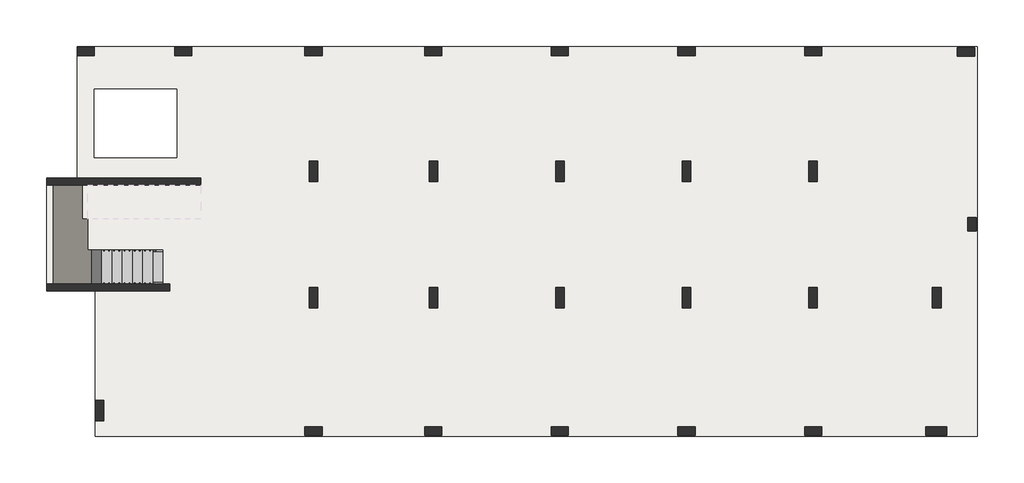
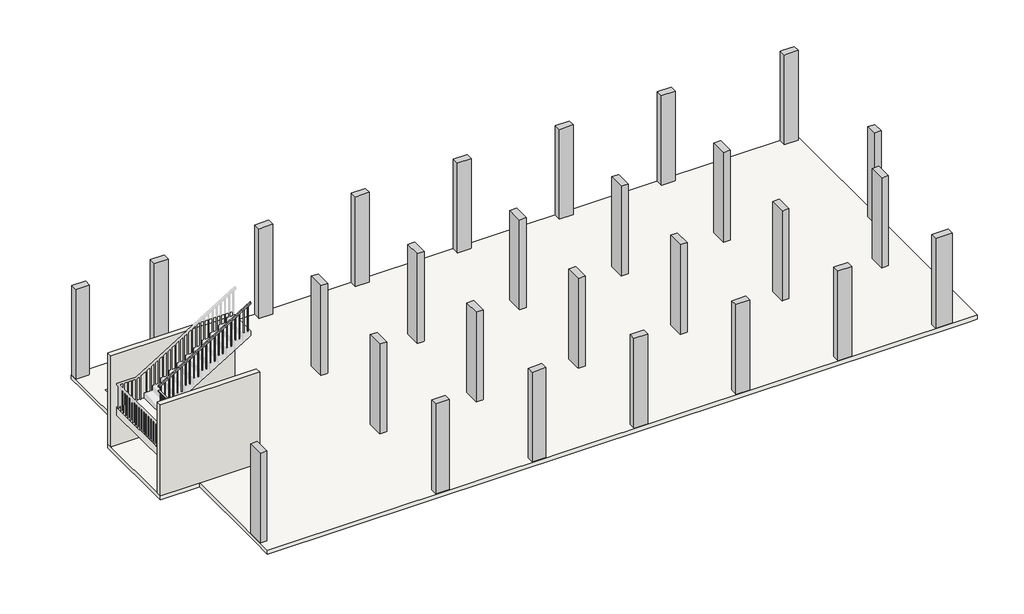
# One storey, part 1 of 2: 27 columns, 2 slabs, 2 walls, 1 railing, 1 stair flight.
"""IFC4 building model written with IfcOpenShell, lengths in millimetres."""

from ifc_helpers import new_model, si_unit, frame, origin, origin_with_axes, place, context, project, spatial, polyline, outline, extrude, faceted_brep, element, save

model = new_model("IFC4")

# Units and contexts
model_context = context("Model", 3, world=origin())
ifc_project = project(units=[si_unit("LENGTHUNIT", "METRE", prefix="MILLI")], contexts=[model_context])

# Site, building, storey
site = spatial("IfcSite", under=ifc_project)
building = spatial("IfcBuilding", under=site)
storey = spatial("IfcBuildingStorey", under=building, Elevation=0.0)

# Columns
placement = place(None, origin())
element("IfcColumn", 1, ObjectType="C1 25 x 50mm", at=placement, inside=storey, context=model_context, shape_type="SweptSolid", body=[
    extrude(outline(polyline([(-250.0, 128.106066), (250.0, 128.106066), (250.0, -121.893934), (-250.0, -121.893934), (-250.0, 128.106066)])), origin_with_axes(), (0.0, 0.0, 1.0), 3450.0),
])
element("IfcColumn", 2, ObjectType="C1 25 x 50mm", at=placement, inside=storey, context=model_context, shape_type="SweptSolid", body=[
    extrude(outline(polyline([(2600.0, 128.106066), (3100.0, 128.106066), (3100.0, -121.893934), (2600.0, -121.893934), (2600.0, 128.106066)])), origin_with_axes(), (0.0, 0.0, 1.0), 3450.0),
])
element("IfcColumn", 3, ObjectType="C1 25 x 50mm", at=placement, inside=storey, context=model_context, shape_type="SweptSolid", body=[
    extrude(outline(polyline([(6400.0390798, 128.106066), (6900.0390798, 128.106066), (6900.0390798, -121.893934), (6400.0390798, -121.893934), (6400.0390798, 128.106066)])), origin_with_axes(), (0.0, 0.0, 1.0), 3450.0),
])
element("IfcColumn", 4, ObjectType="C1 25 x 50mm", at=placement, inside=storey, context=model_context, shape_type="SweptSolid", body=[
    extrude(outline(polyline([(9900.0390798, 128.106066), (10400.0390798, 128.106066), (10400.0390798, -121.893934), (9900.0390798, -121.893934), (9900.0390798, 128.106066)])), origin_with_axes(), (0.0, 0.0, 1.0), 3450.0),
])
element("IfcColumn", 5, ObjectType="C1 25 x 50mm", at=placement, inside=storey, context=model_context, shape_type="SweptSolid", body=[
    extrude(outline(polyline([(13600.0390798, 128.106066), (14100.0390798, 128.106066), (14100.0390798, -121.893934), (13600.0390798, -121.893934), (13600.0390798, 128.106066)])), origin_with_axes(), (0.0, 0.0, 1.0), 3450.0),
])
element("IfcColumn", 6, ObjectType="C1 25 x 50mm", at=placement, inside=storey, context=model_context, shape_type="SweptSolid", body=[
    extrude(outline(polyline([(17300.0390798, 128.106066), (17800.0390798, 128.106066), (17800.0390798, -121.893934), (17300.0390798, -121.893934), (17300.0390798, 128.106066)])), origin_with_axes(), (0.0, 0.0, 1.0), 3450.0),
])
element("IfcColumn", 7, ObjectType="C1 25 x 50mm", at=placement, inside=storey, context=model_context, shape_type="SweptSolid", body=[
    extrude(outline(polyline([(21000.0390798, 128.106066), (21500.0390798, 128.106066), (21500.0390798, -121.893934), (21000.0390798, -121.893934), (21000.0390798, 128.106066)])), origin_with_axes(), (0.0, 0.0, 1.0), 3450.0),
])
element("IfcColumn", 8, ObjectType="C1 25 x 50mm", at=placement, inside=storey, context=model_context, shape_type="SweptSolid", body=[
    extrude(outline(polyline([(21000.0390798, -10971.8939341), (21500.0390798, -10971.8939341), (21500.0390798, -11221.8939341), (21000.0390798, -11221.8939341), (21000.0390798, -10971.8939341)])), origin_with_axes(), (0.0, 0.0, 1.0), 3450.0),
])
element("IfcColumn", 9, ObjectType="C1 25 x 50mm", at=placement, inside=storey, context=model_context, shape_type="SweptSolid", body=[
    extrude(outline(polyline([(17300.0390798, -10971.8939341), (17800.0390798, -10971.8939341), (17800.0390798, -11221.8939341), (17300.0390798, -11221.8939341), (17300.0390798, -10971.8939341)])), origin_with_axes(), (0.0, 0.0, 1.0), 3450.0),
])
element("IfcColumn", 10, ObjectType="C1 25 x 50mm", at=placement, inside=storey, context=model_context, shape_type="SweptSolid", body=[
    extrude(outline(polyline([(13600.0390798, -10971.8939341), (14100.0390798, -10971.8939341), (14100.0390798, -11221.8939341), (13600.0390798, -11221.8939341), (13600.0390798, -10971.8939341)])), origin_with_axes(), (0.0, 0.0, 1.0), 3450.0),
])
element("IfcColumn", 11, ObjectType="C1 25 x 50mm", at=placement, inside=storey, context=model_context, shape_type="SweptSolid", body=[
    extrude(outline(polyline([(9900.0390798, -10971.8939341), (10400.0390798, -10971.8939341), (10400.0390798, -11221.8939341), (9900.0390798, -11221.8939341), (9900.0390798, -10971.8939341)])), origin_with_axes(), (0.0, 0.0, 1.0), 3450.0),
])
element("IfcColumn", 12, ObjectType="C1 25 x 50mm", at=placement, inside=storey, context=model_context, shape_type="SweptSolid", body=[
    extrude(outline(polyline([(6400.0390798, -10971.8939341), (6900.0390798, -10971.8939341), (6900.0390798, -11221.8939341), (6400.0390798, -11221.8939341), (6400.0390798, -10971.8939341)])), origin_with_axes(), (0.0, 0.0, 1.0), 3450.0),
])
element("IfcColumn", 13, ObjectType="C1 25 x 50mm", at=placement, inside=storey, context=model_context, shape_type="Brep", body=[
    faceted_brep([(25466.5, 125.0, 0.0), (25966.5, 125.0, 0.0), (25966.5, -125.0, 0.0), (25466.5, -125.0, 0.0), (25466.5, -125.0, 3450.0), (25466.5, 125.0, 3450.0), (25966.5, -125.0, 3200.0), (25966.5, -125.0, 3450.0), (25550.0000727, -125.0, 3450.0), (25966.5, 125.0, 3200.0), (25966.5, 125.0, 3450.0), (25550.0000727, 125.0, 3450.0)], [[[0, 1, 2, 3]], [[0, 3, 4, 5]], [[3, 2, 6, 7, 8, 4]], [[2, 1, 9, 10, 7, 6]], [[1, 0, 5, 11, 10, 9]], [[5, 4, 8, 7, 10, 11]]]),
])
element("IfcColumn", 14, ObjectType="C2 25 x 60 mm", at=placement, inside=storey, context=model_context, shape_type="Brep", body=[
    faceted_brep([(6775.0390798, -3196.893934, 0.0), (6775.0390798, -3796.893934, 0.0), (6525.0390798, -3796.893934, 0.0), (6525.0390798, -3196.893934, 0.0), (6525.0390798, -3196.893934, 3200.0), (6525.0390798, -3196.893934, 3450.0), (6775.0390798, -3196.893934, 3450.0), (6775.0390798, -3196.893934, 3200.0), (6525.0390798, -3796.893934, 3200.0), (6525.0390798, -3796.893934, 3450.0), (6775.0390798, -3796.893934, 3200.0), (6775.0390798, -3796.893934, 3450.0)], [[[0, 1, 2, 3]], [[0, 3, 4, 5, 6, 7]], [[3, 2, 8, 9, 5, 4]], [[2, 1, 10, 11, 9, 8]], [[1, 0, 7, 6, 11, 10]], [[6, 5, 9, 11]]]),
])
element("IfcColumn", 15, ObjectType="C2 25 x 60 mm", at=placement, inside=storey, context=model_context, shape_type="Brep", body=[
    faceted_brep([(10275.0390798, -3195.451857, 0.0), (10275.0390798, -3795.451857, 0.0), (10025.0390798, -3795.451857, 0.0), (10025.0390798, -3195.451857, 0.0), (10025.0390798, -3195.451857, 3200.0), (10025.0390798, -3195.451857, 3450.0), (10275.0390798, -3195.451857, 3450.0), (10275.0390798, -3195.451857, 3200.0), (10025.0390798, -3795.451857, 3200.0), (10025.0390798, -3795.451857, 3450.0), (10275.0390798, -3795.451857, 3200.0), (10275.0390798, -3795.451857, 3450.0)], [[[0, 1, 2, 3]], [[0, 3, 4, 5, 6, 7]], [[3, 2, 8, 9, 5, 4]], [[2, 1, 10, 11, 9, 8]], [[1, 0, 7, 6, 11, 10]], [[6, 5, 9, 11]]]),
])
element("IfcColumn", 16, ObjectType="C2 25 x 60 mm", at=placement, inside=storey, context=model_context, shape_type="Brep", body=[
    faceted_brep([(13975.0390798, -3195.451857, 0.0), (13975.0390798, -3795.451857, 0.0), (13725.0390798, -3795.451857, 0.0), (13725.0390798, -3195.451857, 0.0), (13725.0390798, -3195.451857, 3200.0), (13725.0390798, -3195.451857, 3450.0), (13975.0390798, -3195.451857, 3450.0), (13975.0390798, -3195.451857, 3200.0), (13725.0390798, -3795.451857, 3200.0), (13725.0390798, -3795.451857, 3450.0), (13975.0390798, -3795.451857, 3200.0), (13975.0390798, -3795.451857, 3450.0)], [[[0, 1, 2, 3]], [[0, 3, 4, 5, 6, 7]], [[3, 2, 8, 9, 5, 4]], [[2, 1, 10, 11, 9, 8]], [[1, 0, 7, 6, 11, 10]], [[6, 5, 9, 11]]]),
])
element("IfcColumn", 17, ObjectType="C2 25 x 60 mm", at=placement, inside=storey, context=model_context, shape_type="Brep", body=[
    faceted_brep([(17675.0390798, -3195.451857, 0.0), (17675.0390798, -3795.451857, 0.0), (17425.0390798, -3795.451857, 0.0), (17425.0390798, -3195.451857, 0.0), (17425.0390798, -3195.451857, 3200.0), (17425.0390798, -3195.451857, 3450.0), (17675.0390798, -3195.451857, 3450.0), (17675.0390798, -3195.451857, 3200.0), (17425.0390798, -3795.451857, 3200.0), (17425.0390798, -3795.451857, 3450.0), (17675.0390798, -3795.451857, 3200.0), (17675.0390798, -3795.451857, 3450.0)], [[[0, 1, 2, 3]], [[0, 3, 4, 5, 6, 7]], [[3, 2, 8, 9, 5, 4]], [[2, 1, 10, 11, 9, 8]], [[1, 0, 7, 6, 11, 10]], [[6, 5, 9, 11]]]),
])
element("IfcColumn", 18, ObjectType="C2 25 x 60 mm", at=placement, inside=storey, context=model_context, shape_type="Brep", body=[
    faceted_brep([(24985.2850434, -6896.8939341, 0.0), (24985.2850434, -7496.8939341, 0.0), (24735.2850434, -7496.8939341, 0.0), (24735.2850434, -6896.8939341, 0.0), (24735.2850434, -6896.8939341, 3200.0), (24735.2850434, -6896.8939341, 3450.0), (24985.2850434, -6896.8939341, 3450.0), (24985.2850434, -6896.8939341, 3200.0), (24735.2850434, -7496.8939341, 3200.0), (24735.2850434, -7496.8939341, 3450.0), (24985.2850434, -7496.8939341, 3200.0), (24985.2850434, -7496.8939341, 3450.0)], [[[0, 1, 2, 3]], [[0, 3, 4, 5, 6, 7]], [[3, 2, 8, 9, 5, 4]], [[2, 1, 10, 11, 9, 8]], [[1, 0, 7, 6, 11, 10]], [[6, 5, 9, 11]]]),
])
element("IfcColumn", 19, ObjectType="C2 25 x 60 mm", at=placement, inside=storey, context=model_context, shape_type="Brep", body=[
    faceted_brep([(21375.0390798, -6896.8939341, 0.0), (21375.0390798, -7496.8939341, 0.0), (21125.0390798, -7496.8939341, 0.0), (21125.0390798, -6896.8939341, 0.0), (21125.0390798, -6896.8939341, 3200.0), (21125.0390798, -6896.8939341, 3450.0), (21375.0390798, -6896.8939341, 3450.0), (21375.0390798, -6896.8939341, 3200.0), (21125.0390798, -7496.8939341, 3200.0), (21125.0390798, -7496.8939341, 3450.0), (21375.0390798, -7496.8939341, 3200.0), (21375.0390798, -7496.8939341, 3450.0)], [[[0, 1, 2, 3]], [[0, 3, 4, 5, 6, 7]], [[3, 2, 8, 9, 5, 4]], [[2, 1, 10, 11, 9, 8]], [[1, 0, 7, 6, 11, 10]], [[6, 5, 9, 11]]]),
])
element("IfcColumn", 20, ObjectType="C2 25 x 60 mm", at=placement, inside=storey, context=model_context, shape_type="Brep", body=[
    faceted_brep([(17675.0390798, -6896.8939341, 0.0), (17675.0390798, -7496.8939341, 0.0), (17425.0390798, -7496.8939341, 0.0), (17425.0390798, -6896.8939341, 0.0), (17425.0390798, -6896.8939341, 3200.0), (17425.0390798, -6896.8939341, 3450.0), (17675.0390798, -6896.8939341, 3450.0), (17675.0390798, -6896.8939341, 3200.0), (17425.0390798, -7496.8939341, 3200.0), (17425.0390798, -7496.8939341, 3450.0), (17675.0390798, -7496.8939341, 3200.0), (17675.0390798, -7496.8939341, 3450.0)], [[[0, 1, 2, 3]], [[0, 3, 4, 5, 6, 7]], [[3, 2, 8, 9, 5, 4]], [[2, 1, 10, 11, 9, 8]], [[1, 0, 7, 6, 11, 10]], [[6, 5, 9, 11]]]),
])
element("IfcColumn", 21, ObjectType="C2 25 x 60 mm", at=placement, inside=storey, context=model_context, shape_type="Brep", body=[
    faceted_brep([(13975.0390798, -6896.8939341, 0.0), (13975.0390798, -7496.8939341, 0.0), (13725.0390798, -7496.8939341, 0.0), (13725.0390798, -6896.8939341, 0.0), (13725.0390798, -6896.8939341, 3200.0), (13725.0390798, -6896.8939341, 3450.0), (13975.0390798, -6896.8939341, 3450.0), (13975.0390798, -6896.8939341, 3200.0), (13725.0390798, -7496.8939341, 3200.0), (13725.0390798, -7496.8939341, 3450.0), (13975.0390798, -7496.8939341, 3200.0), (13975.0390798, -7496.8939341, 3450.0)], [[[0, 1, 2, 3]], [[0, 3, 4, 5, 6, 7]], [[3, 2, 8, 9, 5, 4]], [[2, 1, 10, 11, 9, 8]], [[1, 0, 7, 6, 11, 10]], [[6, 5, 9, 11]]]),
])
element("IfcColumn", 22, ObjectType="C2 25 x 60 mm", at=placement, inside=storey, context=model_context, shape_type="Brep", body=[
    faceted_brep([(10275.0390798, -6896.8939341, 0.0), (10275.0390798, -7496.8939341, 0.0), (10025.0390798, -7496.8939341, 0.0), (10025.0390798, -6896.8939341, 0.0), (10025.0390798, -6896.8939341, 3200.0), (10025.0390798, -6896.8939341, 3450.0), (10275.0390798, -6896.8939341, 3450.0), (10275.0390798, -6896.8939341, 3200.0), (10025.0390798, -7496.8939341, 3200.0), (10025.0390798, -7496.8939341, 3450.0), (10275.0390798, -7496.8939341, 3200.0), (10275.0390798, -7496.8939341, 3450.0)], [[[0, 1, 2, 3]], [[0, 3, 4, 5, 6, 7]], [[3, 2, 8, 9, 5, 4]], [[2, 1, 10, 11, 9, 8]], [[1, 0, 7, 6, 11, 10]], [[6, 5, 9, 11]]]),
])
element("IfcColumn", 23, ObjectType="C2 25 x 60 mm", at=placement, inside=storey, context=model_context, shape_type="Brep", body=[
    faceted_brep([(6775.0390798, -6896.8939341, 0.0), (6775.0390798, -7496.8939341, 0.0), (6525.0390798, -7496.8939341, 0.0), (6525.0390798, -6896.8939341, 0.0), (6525.0390798, -6896.8939341, 3200.0), (6525.0390798, -6896.8939341, 3450.0), (6775.0390798, -6896.8939341, 3450.0), (6775.0390798, -6896.8939341, 3200.0), (6525.0390798, -7496.8939341, 3200.0), (6525.0390798, -7496.8939341, 3450.0), (6775.0390798, -7496.8939341, 3200.0), (6775.0390798, -7496.8939341, 3450.0)], [[[0, 1, 2, 3]], [[0, 3, 4, 5, 6, 7]], [[3, 2, 8, 9, 5, 4]], [[2, 1, 10, 11, 9, 8]], [[1, 0, 7, 6, 11, 10]], [[6, 5, 9, 11]]]),
])
element("IfcColumn", 24, ObjectType="C2 25 x 60 mm", at=placement, inside=storey, context=model_context, shape_type="Brep", body=[
    faceted_brep([(527.7588387, -10196.893934, 0.0), (527.7588387, -10796.893934, 0.0), (277.7588387, -10796.893934, 0.0), (277.7588387, -10196.893934, 0.0), (277.7588387, -10196.893934, 3200.0), (277.7588387, -10196.893934, 3450.0), (527.7588387, -10196.893934, 3450.0), (527.7588387, -10196.893934, 3200.0), (277.7588387, -10796.893934, 3200.0), (277.7588387, -10796.893934, 3450.0), (527.7588387, -10796.893934, 3200.0), (527.7588387, -10796.893934, 3450.0)], [[[0, 1, 2, 3]], [[0, 3, 4, 5, 6, 7]], [[3, 2, 8, 9, 5, 4]], [[2, 1, 10, 11, 9, 8]], [[1, 0, 7, 6, 11, 10]], [[6, 5, 9, 11]]]),
])
element("IfcColumn", 25, ObjectType="C2 25 x 60 mm", at=placement, inside=storey, context=model_context, shape_type="SweptSolid", body=[
    extrude(outline(polyline([(24546.5, -10970.893934), (25146.5, -10970.893934), (25146.5, -11220.893934), (24546.5, -11220.893934), (24546.5, -10970.893934)])), origin_with_axes(), (0.0, 0.0, 1.0), 3450.0),
])
element("IfcColumn", 26, ObjectType="C2 25 x 60 mm", at=placement, inside=storey, context=model_context, shape_type="Brep", body=[
    faceted_brep([(21375.0390798, -3195.451857, 0.0), (21375.0390798, -3795.451857, 0.0), (21125.0390798, -3795.451857, 0.0), (21125.0390798, -3195.451857, 0.0), (21125.0390798, -3195.451857, 3200.0), (21125.0390798, -3195.451857, 3450.0), (21375.0390798, -3195.451857, 3450.0), (21375.0390798, -3195.451857, 3200.0), (21125.0390798, -3795.451857, 3200.0), (21125.0390798, -3795.451857, 3450.0), (21375.0390798, -3795.451857, 3200.0), (21375.0390798, -3795.451857, 3450.0)], [[[0, 1, 2, 3]], [[0, 3, 4, 5, 6, 7]], [[3, 2, 8, 9, 5, 4]], [[2, 1, 10, 11, 9, 8]], [[1, 0, 7, 6, 11, 10]], [[6, 5, 9, 11]]]),
])
element("IfcColumn", 27, ObjectType="C3 25 x 40 mm", at=placement, inside=storey, context=model_context, shape_type="Brep", body=[
    faceted_brep([(26016.5, -4846.8939341, 0.0), (26016.5, -5246.8939341, 0.0), (25766.5, -5246.8939341, 0.0), (25766.5, -4846.8939341, 0.0), (25766.5, -4846.8939341, 3200.0), (25766.5, -4846.8939341, 3450.0), (26016.5, -4846.8939341, 3450.0), (26016.5, -4846.8939341, 3200.0), (25766.5, -5246.8939341, 3200.0), (25766.5, -5246.8939341, 3450.0), (26016.5, -5246.8939341, 3200.0), (26016.5, -5246.8939341, 3450.0)], [[[0, 1, 2, 3]], [[0, 3, 4, 5, 6, 7]], [[3, 2, 8, 9, 5, 4]], [[2, 1, 10, 11, 9, 8]], [[1, 0, 7, 6, 11, 10]], [[6, 5, 9, 11]]]),
])

# Railing
element("IfcRailing", 28, ObjectType="900mm", at=placement, inside=storey, context=model_context, shape_type="SolidModel", body=[
    faceted_brep([(2250.0, -5847.2939341, 1084.2105263), (2250.0, -5847.2939341, 1025.5368719), (2250.0, -5797.2939341, 1025.5368719), (2250.0, -5797.2939341, 1084.2105263), (150.0, -5847.2939341, 2373.6842105), (135.8743343, -5847.2939341, 2323.6842105), (135.8743343, -5797.2939341, 2323.6842105), (150.0, -5797.2939341, 2373.6842105), (-0.4, -5847.2939341, 2373.6842105), (-0.4, -5847.2939341, 2323.6842105), (49.6, -5797.2939341, 2323.6842105), (49.6, -5797.2939341, 2373.6842105), (-0.4, -4871.493934, 2373.6842105), (49.6, -4871.493934, 2373.6842105), (49.6, -4871.493934, 2323.6842105), (-0.4, -4871.493934, 2323.6842105)], [[[0, 1, 2, 3]], [[1, 0, 4, 5]], [[2, 1, 5, 6]], [[3, 2, 6, 7]], [[0, 3, 7, 4]], [[5, 4, 8, 9]], [[6, 5, 9, 10]], [[7, 6, 10, 11]], [[4, 7, 11, 8]], [[12, 13, 14, 15]], [[9, 8, 12, 15]], [[10, 9, 15, 14]], [[11, 10, 14, 13]], [[8, 11, 13, 12]]]),
    faceted_brep([(24.6, -4846.493934, 2542.2982456), (24.6, -4846.493934, 2483.6245912), (24.6, -4896.493934, 2483.6245912), (24.6, -4896.493934, 2542.2982456), (3350.0, -4846.493934, 4584.2105263), (3350.0, -4896.493934, 4584.2105263), (3350.0, -4896.493934, 4525.5368719), (3350.0, -4846.493934, 4525.5368719)], [[[0, 1, 2, 3]], [[4, 5, 6, 7]], [[1, 0, 4, 7]], [[2, 1, 7, 6]], [[3, 2, 6, 5]], [[0, 3, 5, 4]]]),
    extrude(outline(polyline([(4457.7473982, 3239.6), (3500.0, 3239.6), (3500.0, 3259.6), (4470.0281, 3259.6), (4457.7473982, 3239.6)])), frame((0.0, -4881.493934, 0.0), z_axis=(0.0, 1.0, 0.0), x_axis=(0.0, 0.0, 1.0)), (0.0, 0.0, 1.0), 20.0),
    extrude(outline(polyline([(4365.6421351, 3089.6), (3500.0, 3089.6), (3500.0, 3109.6), (4377.9228368, 3109.6), (4365.6421351, 3089.6)])), frame((0.0, -4881.493934, 0.0), z_axis=(0.0, 1.0, 0.0), x_axis=(0.0, 0.0, 1.0)), (0.0, 0.0, 1.0), 20.0),
    extrude(outline(polyline([(4273.5368719, 2939.6), (3315.7894737, 2939.6), (3315.7894737, 2959.6), (4285.8175737, 2959.6), (4273.5368719, 2939.6)])), frame((0.0, -4881.493934, 0.0), z_axis=(0.0, 1.0, 0.0), x_axis=(0.0, 0.0, 1.0)), (0.0, 0.0, 1.0), 20.0),
    extrude(outline(polyline([(4181.4316087, 2789.6), (3315.7894737, 2789.6), (3315.7894737, 2809.6), (4193.7123105, 2809.6), (4181.4316087, 2789.6)])), frame((0.0, -4881.493934, 0.0), z_axis=(0.0, 1.0, 0.0), x_axis=(0.0, 0.0, 1.0)), (0.0, 0.0, 1.0), 20.0),
    extrude(outline(polyline([(4089.3263456, 2639.6), (3131.5789474, 2639.6), (3131.5789474, 2659.6), (4101.6070473, 2659.6), (4089.3263456, 2639.6)])), frame((0.0, -4881.493934, 0.0), z_axis=(0.0, 1.0, 0.0), x_axis=(0.0, 0.0, 1.0)), (0.0, 0.0, 1.0), 20.0),
    extrude(outline(polyline([(3997.2210824, 2489.6), (3131.5789474, 2489.6), (3131.5789474, 2509.6), (4009.5017842, 2509.6), (3997.2210824, 2489.6)])), frame((0.0, -4881.493934, 0.0), z_axis=(0.0, 1.0, 0.0), x_axis=(0.0, 0.0, 1.0)), (0.0, 0.0, 1.0), 20.0),
    extrude(outline(polyline([(3905.1158193, 2339.6), (2947.3684211, 2339.6), (2947.3684211, 2359.6), (3917.396521, 2359.6), (3905.1158193, 2339.6)])), frame((0.0, -4881.493934, 0.0), z_axis=(0.0, 1.0, 0.0), x_axis=(0.0, 0.0, 1.0)), (0.0, 0.0, 1.0), 20.0),
    extrude(outline(polyline([(3813.0105561, 2189.6), (2947.3684211, 2189.6), (2947.3684211, 2209.6), (3825.2912579, 2209.6), (3813.0105561, 2189.6)])), frame((0.0, -4881.493934, 0.0), z_axis=(0.0, 1.0, 0.0), x_axis=(0.0, 0.0, 1.0)), (0.0, 0.0, 1.0), 20.0),
    extrude(outline(polyline([(3720.905293, 2039.6), (2763.1578947, 2039.6), (2763.1578947, 2059.6), (3733.1859947, 2059.6), (3720.905293, 2039.6)])), frame((0.0, -4881.493934, 0.0), z_axis=(0.0, 1.0, 0.0), x_axis=(0.0, 0.0, 1.0)), (0.0, 0.0, 1.0), 20.0),
    extrude(outline(polyline([(3628.8000298, 1889.6), (2763.1578947, 1889.6), (2763.1578947, 1909.6), (3641.0807316, 1909.6), (3628.8000298, 1889.6)])), frame((0.0, -4881.493934, 0.0), z_axis=(0.0, 1.0, 0.0), x_axis=(0.0, 0.0, 1.0)), (0.0, 0.0, 1.0), 20.0),
    extrude(outline(polyline([(3536.6947666, 1739.6), (2578.9473684, 1739.6), (2578.9473684, 1759.6), (3548.9754684, 1759.6), (3536.6947666, 1739.6)])), frame((0.0, -4881.493934, 0.0), z_axis=(0.0, 1.0, 0.0), x_axis=(0.0, 0.0, 1.0)), (0.0, 0.0, 1.0), 20.0),
    extrude(outline(polyline([(3444.5895035, 1589.6), (2578.9473684, 1589.6), (2578.9473684, 1609.6), (3456.8702052, 1609.6), (3444.5895035, 1589.6)])), frame((0.0, -4881.493934, 0.0), z_axis=(0.0, 1.0, 0.0), x_axis=(0.0, 0.0, 1.0)), (0.0, 0.0, 1.0), 20.0),
    extrude(outline(polyline([(3352.4842403, 1439.6), (2394.7368421, 1439.6), (2394.7368421, 1459.6), (3364.7649421, 1459.6), (3352.4842403, 1439.6)])), frame((0.0, -4881.493934, 0.0), z_axis=(0.0, 1.0, 0.0), x_axis=(0.0, 0.0, 1.0)), (0.0, 0.0, 1.0), 20.0),
    extrude(outline(polyline([(3260.3789772, 1289.6), (2394.7368421, 1289.6), (2394.7368421, 1309.6), (3272.6596789, 1309.6), (3260.3789772, 1289.6)])), frame((0.0, -4881.493934, 0.0), z_axis=(0.0, 1.0, 0.0), x_axis=(0.0, 0.0, 1.0)), (0.0, 0.0, 1.0), 20.0),
    extrude(outline(polyline([(3168.273714, 1139.6), (2210.5263158, 1139.6), (2210.5263158, 1159.6), (3180.5544158, 1159.6), (3168.273714, 1139.6)])), frame((0.0, -4881.493934, 0.0), z_axis=(0.0, 1.0, 0.0), x_axis=(0.0, 0.0, 1.0)), (0.0, 0.0, 1.0), 20.0),
    extrude(outline(polyline([(3076.1684508, 989.6), (2210.5263158, 989.6), (2210.5263158, 1009.6), (3088.4491526, 1009.6), (3076.1684508, 989.6)])), frame((0.0, -4881.493934, 0.0), z_axis=(0.0, 1.0, 0.0), x_axis=(0.0, 0.0, 1.0)), (0.0, 0.0, 1.0), 20.0),
    extrude(outline(polyline([(2984.0631877, 839.6), (2026.3157895, 839.6), (2026.3157895, 859.6), (2996.3438894, 859.6), (2984.0631877, 839.6)])), frame((0.0, -4881.493934, 0.0), z_axis=(0.0, 1.0, 0.0), x_axis=(0.0, 0.0, 1.0)), (0.0, 0.0, 1.0), 20.0),
    extrude(outline(polyline([(2891.9579245, 689.6), (2026.3157895, 689.6), (2026.3157895, 709.6), (2904.2386263, 709.6), (2891.9579245, 689.6)])), frame((0.0, -4881.493934, 0.0), z_axis=(0.0, 1.0, 0.0), x_axis=(0.0, 0.0, 1.0)), (0.0, 0.0, 1.0), 20.0),
    extrude(outline(polyline([(2799.8526614, 539.6), (1842.1052632, 539.6), (1842.1052632, 559.6), (2812.1333631, 559.6), (2799.8526614, 539.6)])), frame((0.0, -4881.493934, 0.0), z_axis=(0.0, 1.0, 0.0), x_axis=(0.0, 0.0, 1.0)), (0.0, 0.0, 1.0), 20.0),
    extrude(outline(polyline([(2707.7473982, 389.6), (1842.1052632, 389.6), (1842.1052632, 409.6), (2720.0281, 409.6), (2707.7473982, 389.6)])), frame((0.0, -4881.493934, 0.0), z_axis=(0.0, 1.0, 0.0), x_axis=(0.0, 0.0, 1.0)), (0.0, 0.0, 1.0), 20.0),
    extrude(outline(polyline([(2615.6421351, 239.6), (1657.8947368, 239.6), (1657.8947368, 259.6), (2627.9228368, 259.6), (2615.6421351, 239.6)])), frame((0.0, -4881.493934, 0.0), z_axis=(0.0, 1.0, 0.0), x_axis=(0.0, 0.0, 1.0)), (0.0, 0.0, 1.0), 20.0),
    extrude(outline(polyline([(2523.5368719, 89.6), (1657.8947368, 89.6), (1657.8947368, 109.6), (2535.8175737, 109.6), (2523.5368719, 89.6)])), frame((0.0, -4881.493934, 0.0), z_axis=(0.0, 1.0, 0.0), x_axis=(0.0, 0.0, 1.0)), (0.0, 0.0, 1.0), 20.0),
    extrude(outline(polyline([(34.6, -5007.2939341), (14.6, -5007.2939341), (14.6, -4987.2939341), (34.6, -4987.2939341), (34.6, -5007.2939341)])), frame((0.0, 0.0, 1473.6842105), z_axis=(0.0, 0.0, 1.0), x_axis=(1.0, 0.0, 0.0)), (0.0, 0.0, 1.0), 850.0),
    extrude(outline(polyline([(34.6, -5157.2939341), (14.6, -5157.2939341), (14.6, -5137.2939341), (34.6, -5137.2939341), (34.6, -5157.2939341)])), frame((0.0, 0.0, 1473.6842105), z_axis=(0.0, 0.0, 1.0), x_axis=(1.0, 0.0, 0.0)), (0.0, 0.0, 1.0), 850.0),
    extrude(outline(polyline([(34.6, -5307.2939341), (14.6, -5307.2939341), (14.6, -5287.2939341), (34.6, -5287.2939341), (34.6, -5307.2939341)])), frame((0.0, 0.0, 1473.6842105), z_axis=(0.0, 0.0, 1.0), x_axis=(1.0, 0.0, 0.0)), (0.0, 0.0, 1.0), 850.0),
    extrude(outline(polyline([(34.6, -5457.2939341), (14.6, -5457.2939341), (14.6, -5437.2939341), (34.6, -5437.2939341), (34.6, -5457.2939341)])), frame((0.0, 0.0, 1473.6842105), z_axis=(0.0, 0.0, 1.0), x_axis=(1.0, 0.0, 0.0)), (0.0, 0.0, 1.0), 850.0),
    extrude(outline(polyline([(34.6, -5607.2939341), (14.6, -5607.2939341), (14.6, -5587.2939341), (34.6, -5587.2939341), (34.6, -5607.2939341)])), frame((0.0, 0.0, 1473.6842105), z_axis=(0.0, 0.0, 1.0), x_axis=(1.0, 0.0, 0.0)), (0.0, 0.0, 1.0), 850.0),
    extrude(outline(polyline([(34.6, -5757.2939341), (14.6, -5757.2939341), (14.6, -5737.2939341), (34.6, -5737.2939341), (34.6, -5757.2939341)])), frame((0.0, 0.0, 1473.6842105), z_axis=(0.0, 0.0, 1.0), x_axis=(1.0, 0.0, 0.0)), (0.0, 0.0, 1.0), 850.0),
    extrude(outline(polyline([(85.0, -5812.2939341), (85.0, -5832.2939341), (65.0, -5832.2939341), (65.0, -5812.2939341), (85.0, -5812.2939341)])), frame((0.0, 0.0, 1473.6842105), z_axis=(0.0, 0.0, 1.0), x_axis=(1.0, 0.0, 0.0)), (0.0, 0.0, 1.0), 850.0),
    extrude(outline(polyline([(1289.4736842, 235.0), (2262.8175737, 235.0), (2275.0982754, 215.0), (1289.4736842, 215.0), (1289.4736842, 235.0)])), frame((0.0, -5832.2939341, 0.0), z_axis=(0.0, 1.0, 0.0), x_axis=(0.0, 0.0, 1.0)), (0.0, 0.0, 1.0), 20.0),
    extrude(outline(polyline([(1289.4736842, 385.0), (2170.7123105, 385.0), (2182.9930123, 365.0), (1289.4736842, 365.0), (1289.4736842, 385.0)])), frame((0.0, -5832.2939341, 0.0), z_axis=(0.0, 1.0, 0.0), x_axis=(0.0, 0.0, 1.0)), (0.0, 0.0, 1.0), 20.0),
    extrude(outline(polyline([(1105.2631579, 535.0), (2078.6070473, 535.0), (2090.8877491, 515.0), (1105.2631579, 515.0), (1105.2631579, 535.0)])), frame((0.0, -5832.2939341, 0.0), z_axis=(0.0, 1.0, 0.0), x_axis=(0.0, 0.0, 1.0)), (0.0, 0.0, 1.0), 20.0),
    extrude(outline(polyline([(1105.2631579, 685.0), (1986.5017842, 685.0), (1998.7824859, 665.0), (1105.2631579, 665.0), (1105.2631579, 685.0)])), frame((0.0, -5832.2939341, 0.0), z_axis=(0.0, 1.0, 0.0), x_axis=(0.0, 0.0, 1.0)), (0.0, 0.0, 1.0), 20.0),
    extrude(outline(polyline([(921.0526316, 835.0), (1894.396521, 835.0), (1906.6772228, 815.0), (921.0526316, 815.0), (921.0526316, 835.0)])), frame((0.0, -5832.2939341, 0.0), z_axis=(0.0, 1.0, 0.0), x_axis=(0.0, 0.0, 1.0)), (0.0, 0.0, 1.0), 20.0),
    extrude(outline(polyline([(921.0526316, 985.0), (1802.2912579, 985.0), (1814.5719596, 965.0), (921.0526316, 965.0), (921.0526316, 985.0)])), frame((0.0, -5832.2939341, 0.0), z_axis=(0.0, 1.0, 0.0), x_axis=(0.0, 0.0, 1.0)), (0.0, 0.0, 1.0), 20.0),
    extrude(outline(polyline([(736.8421053, 1135.0), (1710.1859947, 1135.0), (1722.4666965, 1115.0), (736.8421053, 1115.0), (736.8421053, 1135.0)])), frame((0.0, -5832.2939341, 0.0), z_axis=(0.0, 1.0, 0.0), x_axis=(0.0, 0.0, 1.0)), (0.0, 0.0, 1.0), 20.0),
    extrude(outline(polyline([(736.8421053, 1285.0), (1618.0807316, 1285.0), (1630.3614333, 1265.0), (736.8421053, 1265.0), (736.8421053, 1285.0)])), frame((0.0, -5832.2939341, 0.0), z_axis=(0.0, 1.0, 0.0), x_axis=(0.0, 0.0, 1.0)), (0.0, 0.0, 1.0), 20.0),
    extrude(outline(polyline([(552.6315789, 1435.0), (1525.9754684, 1435.0), (1538.2561701, 1415.0), (552.6315789, 1415.0), (552.6315789, 1435.0)])), frame((0.0, -5832.2939341, 0.0), z_axis=(0.0, 1.0, 0.0), x_axis=(0.0, 0.0, 1.0)), (0.0, 0.0, 1.0), 20.0),
    extrude(outline(polyline([(552.6315789, 1585.0), (1433.8702052, 1585.0), (1446.150907, 1565.0), (552.6315789, 1565.0), (552.6315789, 1585.0)])), frame((0.0, -5832.2939341, 0.0), z_axis=(0.0, 1.0, 0.0), x_axis=(0.0, 0.0, 1.0)), (0.0, 0.0, 1.0), 20.0),
    extrude(outline(polyline([(368.4210526, 1735.0), (1341.7649421, 1735.0), (1354.0456438, 1715.0), (368.4210526, 1715.0), (368.4210526, 1735.0)])), frame((0.0, -5832.2939341, 0.0), z_axis=(0.0, 1.0, 0.0), x_axis=(0.0, 0.0, 1.0)), (0.0, 0.0, 1.0), 20.0),
    extrude(outline(polyline([(368.4210526, 1885.0), (1249.6596789, 1885.0), (1261.9403807, 1865.0), (368.4210526, 1865.0), (368.4210526, 1885.0)])), frame((0.0, -5832.2939341, 0.0), z_axis=(0.0, 1.0, 0.0), x_axis=(0.0, 0.0, 1.0)), (0.0, 0.0, 1.0), 20.0),
    extrude(outline(polyline([(184.2105263, 2035.0), (1157.5544158, 2035.0), (1169.8351175, 2015.0), (184.2105263, 2015.0), (184.2105263, 2035.0)])), frame((0.0, -5832.2939341, 0.0), z_axis=(0.0, 1.0, 0.0), x_axis=(0.0, 0.0, 1.0)), (0.0, 0.0, 1.0), 20.0),
    extrude(outline(polyline([(184.2105263, 2185.0), (1065.4491526, 2185.0), (1077.7298544, 2165.0), (184.2105263, 2165.0), (184.2105263, 2185.0)])), frame((0.0, -5832.2939341, 0.0), z_axis=(0.0, 1.0, 0.0), x_axis=(0.0, 0.0, 1.0)), (0.0, 0.0, 1.0), 20.0),
])

# Slabs
element("IfcSlab", 29, at=placement, inside=storey, context=model_context, shape_type="Brep", body=[
    faceted_brep([(150.0, -6796.8939341, 1473.6842105), (150.0, -5796.8939341, 1473.6842105), (51.908717, -5796.8939341, 1473.6842105), (50.0, -5796.8939341, 1473.6842105), (50.0, -4896.893934, 1473.6842105), (50.0, -3896.893934, 1473.6842105), (-151.908717, -3896.893934, 1473.6842105), (-950.0, -3896.893934, 1473.6842105), (-950.0, -6796.8939341, 1473.6842105), (51.908717, -6796.8939341, 1473.6842105), (150.0, -6796.8939341, 1289.4736842), (150.0, -6796.8939341, 1113.452721), (150.0, -5796.8939341, 1113.452721), (150.0, -5796.8939341, 1289.4736842), (51.908717, -5796.8939341, 1173.6842105), (50.0, -5796.8939341, 1173.6842105), (50.0, -4896.893934, 1173.6842105), (50.0, -4896.893934, 1297.6632473), (50.0, -3896.893934, 1297.6632473), (-151.908717, -3896.893934, 1173.6842105), (-950.0, -3896.893934, 1173.6842105), (-950.0, -6796.8939341, 1173.6842105), (51.908717, -6796.8939341, 1173.6842105), (-151.908717, -4896.893934, 1173.6842105)], [[[0, 1, 2, 3, 4, 5, 6, 7, 8, 9]], [[1, 0, 10, 11, 12, 13]], [[1, 13, 12, 14, 15, 3, 2]], [[4, 3, 15, 16, 17]], [[5, 4, 17, 18]], [[5, 18, 19, 20, 7, 6]], [[8, 7, 20, 21]], [[11, 10, 0, 9, 8, 21, 22]], [[23, 16, 15, 14, 22, 21, 20, 19]], [[16, 23, 17]], [[22, 14, 12, 11]], [[23, 19, 18, 17]]]),
])
element("IfcSlab", 30, ObjectType="Radier 150 mm", at=placement, inside=storey, context=model_context, shape_type="Brep", body=[
    faceted_brep([(26050.0000727, 153.106066, -150.0), (26050.0000727, -146.893934, -150.0), (26050.0000727, -11246.893934, -150.0), (25750.0000727, -11246.893934, -150.0), (277.7588387, -11246.893934, -150.0), (277.7588387, -10946.893934, -150.0), (277.7588387, -10796.893934, -150.0), (277.7588387, -10196.893934, -150.0), (277.7588387, -6996.8939341, -150.0), (-1150.0, -6996.8939341, -150.0), (-1150.0, -3696.893934, -150.0), (-250.0, -3696.893934, -150.0), (-250.0, -146.893934, -150.0), (-250.0, -121.893934, -150.0), (-250.0, 128.106066, -150.0), (-250.0, 153.106066, -150.0), (10275.0390798, 153.106066, -150.0), (17675.0390798, 153.106066, -150.0), (2650.0, -1096.893934, -150.0), (250.0, -1096.893934, -150.0), (250.0, -3096.893934, -150.0), (2650.0, -3096.893934, -150.0), (26050.0000727, -11246.893934, 0.0), (26050.0000727, 153.106066, 0.0), (-250.0, 153.106066, 0.0), (-250.0, -3696.893934, 0.0), (-1150.0, -3696.893934, 0.0), (-1150.0, -6996.8939341, 0.0), (277.7588387, -6996.8939341, 0.0), (277.7588387, -11246.893934, 0.0), (250.0, -1096.893934, 0.0), (2650.0, -1096.893934, 0.0), (2650.0, -3096.893934, 0.0), (250.0, -3096.893934, 0.0)], [[[0, 1, 2, 3, 4, 5, 6, 7, 8, 9, 10, 11, 12, 13, 14, 15, 16, 17], [18, 19, 20, 21]], [[22, 23, 24, 25, 26, 27, 28, 29], [30, 31, 32, 33]], [[2, 1, 0, 23, 22]], [[4, 3, 2, 22, 29]], [[8, 7, 6, 5, 4, 29, 28]], [[9, 8, 28, 27]], [[10, 9, 27, 26]], [[11, 10, 26, 25]], [[15, 14, 13, 12, 11, 25, 24]], [[0, 17, 16, 15, 24, 23]], [[18, 31, 30, 19]], [[19, 30, 33, 20]], [[20, 33, 32, 21]], [[31, 18, 21, 32]]]),
])

# Stair flight
element("IfcStairFlight", 31, ObjectType="Nez de marche 25 mm", at=placement, inside=storey, context=model_context, shape_type="Brep", body=[
    faceted_brep([(1950.0, -6796.8939341, 184.2105263), (2250.0, -6796.8939341, 184.2105263), (2250.0, -5796.8939341, 184.2105263), (1950.0, -5796.8939341, 184.2105263), (1950.0, -6796.8939341, 8.1895631), (1963.3372884, -6796.8939341, 0.0), (2250.0, -6796.8939341, 0.0), (2250.0, -5796.8939341, 0.0), (1963.3372884, -5796.8939341, 0.0), (1950.0, -5796.8939341, 8.1895631), (1650.0, -6796.8939341, 368.4210526), (1950.0, -6796.8939341, 368.4210526), (1950.0, -5796.8939341, 368.4210526), (1650.0, -5796.8939341, 368.4210526), (1650.0, -6796.8939341, 192.4000894), (1650.0, -5796.8939341, 192.4000894), (1350.0, -6796.8939341, 552.6315789), (1650.0, -6796.8939341, 552.6315789), (1650.0, -5796.8939341, 552.6315789), (1350.0, -5796.8939341, 552.6315789), (1350.0, -6796.8939341, 376.6106157), (1350.0, -5796.8939341, 376.6106157), (1050.0, -6796.8939341, 736.8421053), (1350.0, -6796.8939341, 736.8421053), (1350.0, -5796.8939341, 736.8421053), (1050.0, -5796.8939341, 736.8421053), (1050.0, -6796.8939341, 560.821142), (1050.0, -5796.8939341, 560.821142), (750.0, -6796.8939341, 921.0526316), (1050.0, -6796.8939341, 921.0526316), (1050.0, -5796.8939341, 921.0526316), (750.0, -5796.8939341, 921.0526316), (750.0, -6796.8939341, 745.0316683), (750.0, -5796.8939341, 745.0316683), (450.0, -6796.8939341, 1105.2631579), (750.0, -6796.8939341, 1105.2631579), (750.0, -5796.8939341, 1105.2631579), (450.0, -5796.8939341, 1105.2631579), (450.0, -6796.8939341, 929.2421947), (450.0, -5796.8939341, 929.2421947), (150.0, -6796.8939341, 1113.452721), (150.0, -5796.8939341, 1113.452721), (150.0, -6796.8939341, 1289.4736842), (450.0, -6796.8939341, 1289.4736842), (450.0, -5796.8939341, 1289.4736842), (150.0, -5796.8939341, 1289.4736842)], [[[0, 1, 2, 3]], [[1, 0, 4, 5, 6]], [[2, 1, 6, 7]], [[3, 2, 7, 8, 9]], [[10, 11, 12, 13]], [[11, 10, 14, 4, 0]], [[0, 3, 12, 11]], [[13, 12, 3, 9, 15]], [[16, 17, 18, 19]], [[17, 16, 20, 14, 10]], [[10, 13, 18, 17]], [[19, 18, 13, 15, 21]], [[22, 23, 24, 25]], [[23, 22, 26, 20, 16]], [[16, 19, 24, 23]], [[25, 24, 19, 21, 27]], [[28, 29, 30, 31]], [[29, 28, 32, 26, 22]], [[22, 25, 30, 29]], [[31, 30, 25, 27, 33]], [[34, 35, 36, 37]], [[35, 34, 38, 32, 28]], [[28, 31, 36, 35]], [[37, 36, 31, 33, 39]], [[7, 6, 5, 8]], [[8, 5, 4, 14, 20, 26, 32, 38, 40, 41, 39, 33, 27, 21, 15, 9]], [[42, 43, 44, 45]], [[43, 42, 40, 38, 34]], [[34, 37, 44, 43]], [[45, 44, 37, 39, 41]], [[42, 45, 41, 40]]]),
])

# Walls
element("IfcWall", 32, at=placement, inside=storey, context=model_context, shape_type="Brep", body=[
    faceted_brep([(-1150.0, -3896.893934, 0.0), (3350.0, -3896.893934, 0.0), (3350.0, -3896.893934, 3200.0), (3350.0, -3896.893934, 3450.0), (3350.0, -3896.893934, 3500.0), (-1150.0, -3896.893934, 3500.0), (-1150.0, -3696.893934, 0.0), (-1150.0, -3696.893934, 3500.0), (3350.0, -3696.893934, 3500.0), (3350.0, -3696.893934, 3450.0), (3350.0, -3696.893934, 3200.0), (3350.0, -3696.893934, 0.0)], [[[0, 1, 2, 3, 4, 5]], [[6, 7, 8, 9, 10, 11]], [[1, 0, 6, 11]], [[4, 3, 2, 1, 11, 10, 9, 8]], [[5, 4, 8, 7]], [[0, 5, 7, 6]]]),
])
element("IfcWall", 33, at=placement, inside=storey, context=model_context, shape_type="Brep", body=[
    faceted_brep([(-1150.0, -6996.8939341, 0.0), (2450.0, -6996.8939341, 0.0), (2450.0, -6996.8939341, 3200.0), (2450.0, -6996.8939341, 3450.0), (2450.0, -6996.8939341, 3500.0), (-1150.0, -6996.8939341, 3500.0), (-1150.0, -6796.8939341, 0.0), (-1150.0, -6796.8939341, 3500.0), (2450.0, -6796.8939341, 3500.0), (2450.0, -6796.8939341, 3450.0), (2450.0, -6796.8939341, 3200.0), (2450.0, -6796.8939341, 0.0)], [[[0, 1, 2, 3, 4, 5]], [[6, 7, 8, 9, 10, 11]], [[1, 0, 6, 11]], [[4, 3, 2, 1, 11, 10, 9, 8]], [[5, 4, 8, 7]], [[0, 5, 7, 6]]]),
])

save(model, "model.ifc")
